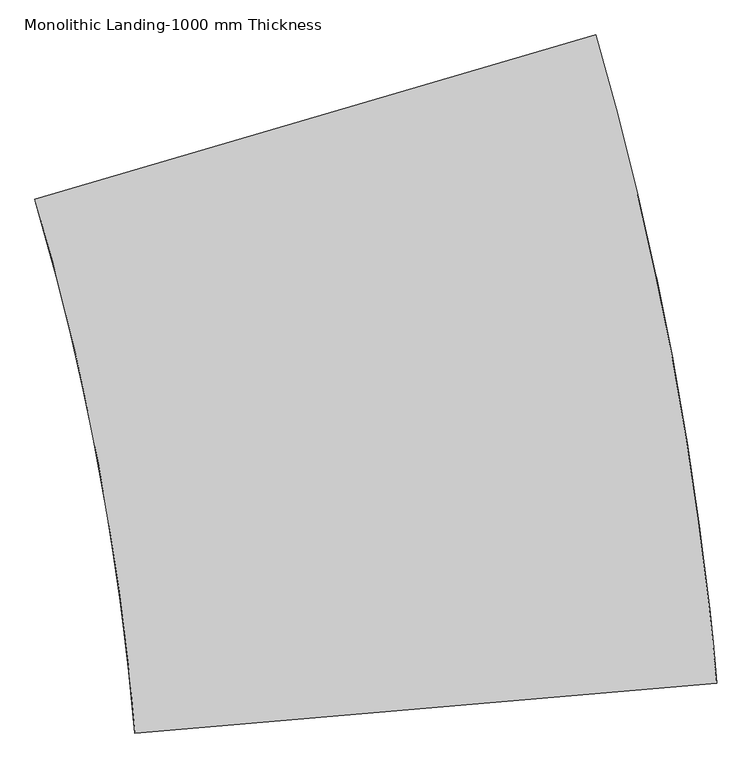
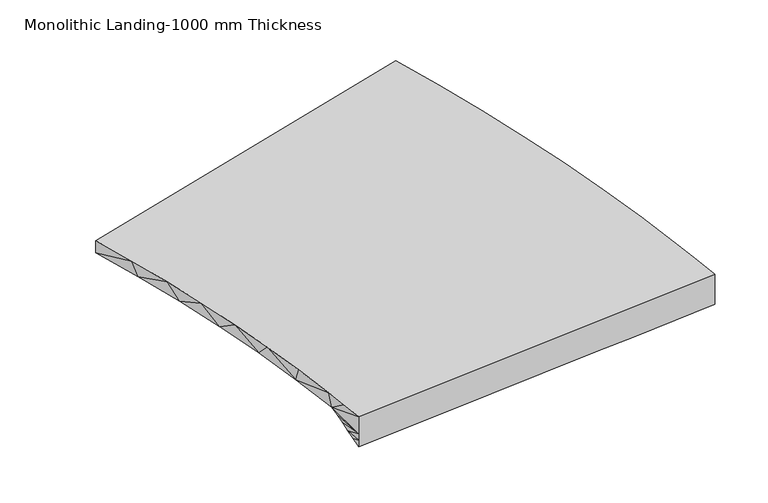
"""IFC4 building model written with IfcOpenShell, lengths in millimetres: stair geometry, Monolithic Landing-1000 mm Thickness."""

from ifc_helpers import new_model, si_unit, origin, place, context, project, spatial, faceted_brep, source, transform, mapped, element, save


def monolithic_landing_1000_mm_thickness_5b4b767b(model_context):
    return source(origin(), model_context, "Body", "Brep", [
        faceted_brep([(386.4174702, 1042.6770391, 725.7142857), (437.7610809, 697.3946651, 725.7142857), (480.4775318, 350.9389395, 725.7142857), (498.685676, 176.383166, 725.7142857), (514.7050631, 1.5952722, 725.7142857), (3503.8393702, 256.695437, 725.7142857), (3483.9746335, 468.8922211, 725.7142857), (3461.5074707, 680.8132664, 725.7142857), (3409.0979314, 1101.397242, 725.7142857), (3346.4338183, 1520.5760217, 725.7142857), (3273.5525023, 1938.099619, 725.7142857), (3190.497448, 2353.7190344, 725.7142857), (3097.3181869, 2767.1864043, 725.7142857), (2994.0702886, 3178.255148, 725.7142857), (2880.8153272, 3586.680116, 725.7142857), (1.5952722, 2744.0106225, 725.7142857), (95.4903254, 2407.7922577, 725.7142857), (180.9699367, 2069.3407805, 725.7142857), (257.982067, 1728.8628958, 725.7142857), (326.4787319, 1386.5708798, 725.7142857), (514.7050631, 1.5952722, 581.4797751), (514.7050631, 1.5952722, 526.4032543), (514.7050631, 1.5952722, 471.3267334), (1178.9571313, 58.2841977, 471.3267334), (2507.4612678, 171.6620488, 471.3267334), (2839.5873019, 200.0065115, 471.3267334), (3503.8393702, 256.695437, 471.3267334), (3503.8393702, 256.695437, 526.403257), (3503.8393702, 256.695437, 581.4797814), (2880.8153272, 3586.680116, 625.7142857), (1.5952722, 2744.0106225, 625.7142857), (3413.8621668, 1066.3644536, 625.7142857), (3466.0590887, 639.8173693, 625.7142857), (2803.4176641, 568.1180193, 625.7142857), (2472.0969517, 532.2683443, 625.7142857), (1146.8141024, 388.8696443, 625.7142857), (484.1726778, 317.1702943, 625.7142857), (433.704497, 726.9910445, 625.7142857), (371.1687524, 1135.1446494, 625.7142857), (296.6198759, 1541.2758469, 625.7142857), (210.1227558, 1945.0311351, 625.7142857), (111.7526804, 2346.0590803, 625.7142857), (2995.574438, 3172.5578149, 625.7142857), (3100.0453972, 2755.7212132, 625.7142857), (3194.1641568, 2336.4258604, 625.7142857), (3277.8730155, 1914.9288132, 625.7142857), (3351.1206541, 1491.4884783, 625.7142857), (1993.3582898, 303.9311614, 548.5191593), (503.3500456, 127.9076409, 533.0817613), (509.1706255, 64.7643179, 502.2042479), (3492.1903222, 384.4949791, 522.788625), (3498.1329639, 320.6060103, 497.0575949), (497.2434428, 191.0239452, 563.9592736), (490.8509423, 254.1119349, 594.8367851), (3479.596663, 512.2046226, 574.2511651), (3472.9458183, 576.0235577, 599.9826621), (3486.011527, 448.3614732, 548.5198172)], [[[0, 1, 2, 3, 4, 5, 6, 7, 8, 9, 10, 11, 12, 13, 14, 15, 16, 17, 18, 19]], [[4, 20, 21, 22, 23, 24, 25, 26, 27, 28, 5]], [[15, 14, 29, 30]], [[31, 32, 33, 34, 35, 36, 37, 38, 39, 40, 41, 30, 29, 42, 43, 44, 45, 46]], [[24, 23, 47]], [[47, 23, 48]], [[23, 22, 49]], [[23, 49, 48]], [[24, 50, 25]], [[50, 24, 47]], [[25, 51, 26]], [[51, 25, 50]], [[47, 48, 52]], [[47, 35, 34]], [[35, 52, 53]], [[36, 35, 53]], [[54, 47, 34]], [[54, 33, 55]], [[54, 56, 47]], [[56, 50, 47]], [[34, 33, 54]], [[33, 32, 55]], [[35, 47, 52]], [[27, 26, 51]], [[27, 56, 28]], [[54, 55, 28]], [[50, 27, 51]], [[54, 28, 56]], [[55, 32, 28]], [[5, 32, 6]], [[5, 28, 32]], [[6, 32, 7]], [[7, 31, 8]], [[31, 7, 32]], [[8, 31, 46]], [[27, 50, 56]], [[9, 46, 45]], [[44, 10, 45]], [[12, 43, 42]], [[44, 43, 11]], [[13, 42, 29]], [[10, 9, 45]], [[11, 10, 44]], [[13, 12, 42]], [[14, 13, 29]], [[11, 43, 12]], [[46, 9, 8]], [[30, 16, 15]], [[49, 22, 21]], [[39, 19, 18]], [[40, 18, 17]], [[41, 17, 16]], [[41, 40, 17]], [[16, 30, 41]], [[39, 38, 19]], [[18, 40, 39]], [[37, 0, 38]], [[38, 0, 19]], [[2, 1, 37]], [[0, 37, 1]], [[3, 2, 36]], [[36, 2, 37]], [[4, 3, 36]], [[49, 21, 48]], [[20, 4, 36]], [[53, 20, 36]], [[48, 20, 52]], [[53, 52, 20]], [[48, 21, 20]]]),
    ])


if __name__ == "__main__":
    model = new_model("IFC4")
    model_context = context("Model", 3, world=origin())
    ifc_project = project(units=[si_unit("LENGTHUNIT", "METRE", prefix="MILLI")], contexts=[model_context])
    site = spatial("IfcSite", under=ifc_project)
    building = spatial("IfcBuilding", under=site)
    placement = place(None, origin())
    monolithic_landing_1000_mm_thickness_shape = monolithic_landing_1000_mm_thickness_5b4b767b(model_context)
    element("IfcStair", 1, ObjectType="Monolithic Landing-1000 mm Thickness", at=placement, inside=building, context=model_context, shape_type="MappedRepresentation", body=[
        mapped(monolithic_landing_1000_mm_thickness_shape, transform((0.0, 0.0, 0.0), x_axis=(1.0, 0.0, 0.0), y_axis=(0.0, 1.0, 0.0), z_axis=(0.0, 0.0, 1.0))),
    ])
    save(model, "model.ifc")
